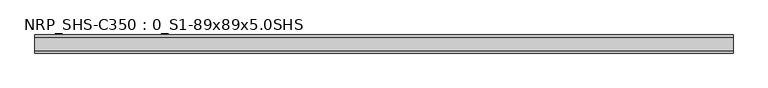
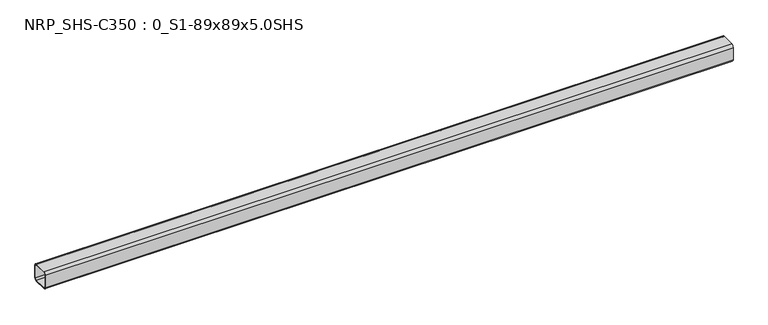
"""IFC4 building model written with IfcOpenShell, lengths in millimetres: beam geometry, NRP_SHS-C350 : 0_S1-89x89x5.0SHS."""

from ifc_helpers import new_model, si_unit, point, frame, frame_2d, origin, place, context, project, spatial, polyline, circle_curve, trimmed, segment, composite_curve, outline, extrude, source, transform, mapped, element, save


def nrp_shs_c350_0_s1_89x89x5_0shs_46aebf11(model_context):
    return source(origin(), model_context, "Body", "SweptSolid", [
        extrude(outline(composite_curve([segment(polyline([(44.5, 32.0), (44.5, -32.0)]), True, "CONTINUOUS"), segment(trimmed(circle_curve(frame_2d((32.0, -32.0)), 12.5), [point((44.5, -32.0))], [point((32.0, -44.5))], False, "CARTESIAN"), True, "CONTINUOUS"), segment(polyline([(32.0, -44.5), (-32.0, -44.5)]), True, "CONTINUOUS"), segment(trimmed(circle_curve(frame_2d((-32.0, -32.0)), 12.5), [point((-32.0, -44.5))], [point((-44.5, -32.0))], False, "CARTESIAN"), True, "CONTINUOUS"), segment(polyline([(-44.5, -32.0), (-44.5, 32.0)]), True, "CONTINUOUS"), segment(trimmed(circle_curve(frame_2d((-32.0, 32.0)), 12.5), [point((-44.5, 32.0))], [point((-32.0, 44.5))], False, "CARTESIAN"), True, "CONTINUOUS"), segment(polyline([(-32.0, 44.5), (32.0, 44.5)]), True, "CONTINUOUS"), segment(trimmed(circle_curve(frame_2d((32.0, 32.0)), 12.5), [point((32.0, 44.5))], [point((44.5, 32.0))], False, "CARTESIAN"), True, "CONTINUOUS")], self_intersect=False), holes=[composite_curve([segment(trimmed(circle_curve(frame_2d((-32.0, 32.0)), 7.5), [point((-32.0, 39.5))], [point((-39.5, 32.0))], True, "CARTESIAN"), True, "CONTINUOUS"), segment(polyline([(-39.5, 32.0), (-39.5, -32.0)]), True, "CONTINUOUS"), segment(trimmed(circle_curve(frame_2d((-32.0, -32.0)), 7.5), [point((-39.5, -32.0))], [point((-32.0, -39.5))], True, "CARTESIAN"), True, "CONTINUOUS"), segment(polyline([(-32.0, -39.5), (32.0, -39.5)]), True, "CONTINUOUS"), segment(trimmed(circle_curve(frame_2d((32.0, -32.0)), 7.5), [point((32.0, -39.5))], [point((39.5, -32.0))], True, "CARTESIAN"), True, "CONTINUOUS"), segment(polyline([(39.5, -32.0), (39.5, 32.0)]), True, "CONTINUOUS"), segment(trimmed(circle_curve(frame_2d((32.0, 32.0)), 7.5), [point((39.5, 32.0))], [point((32.0, 39.5))], True, "CARTESIAN"), True, "CONTINUOUS"), segment(polyline([(32.0, 39.5), (-32.0, 39.5)]), True, "CONTINUOUS")], self_intersect=False)]), frame((-1713.0, 0.0, 0.0), z_axis=(1.0, 0.0, 0.0), x_axis=(0.0, 1.0, 0.0)), (0.0, 0.0, 1.0), 3421.0),
    ])


if __name__ == "__main__":
    model = new_model("IFC4")
    model_context = context("Model", 3, world=origin())
    ifc_project = project(units=[si_unit("LENGTHUNIT", "METRE", prefix="MILLI")], contexts=[model_context])
    site = spatial("IfcSite", under=ifc_project)
    building = spatial("IfcBuilding", under=site)
    placement = place(None, origin())
    nrp_shs_c350_0_s1_89x89x5_0shs_shape = nrp_shs_c350_0_s1_89x89x5_0shs_46aebf11(model_context)
    element("IfcBeam", 1, ObjectType="NRP_SHS-C350 : 0_S1-89x89x5.0SHS", at=placement, inside=building, context=model_context, shape_type="MappedRepresentation", body=[
        mapped(nrp_shs_c350_0_s1_89x89x5_0shs_shape, transform((0.0, 0.0, 0.0), x_axis=(1.0, 0.0, 0.0), y_axis=(0.0, 1.0, 0.0), z_axis=(0.0, 0.0, 1.0))),
    ])
    save(model, "model.ifc")
